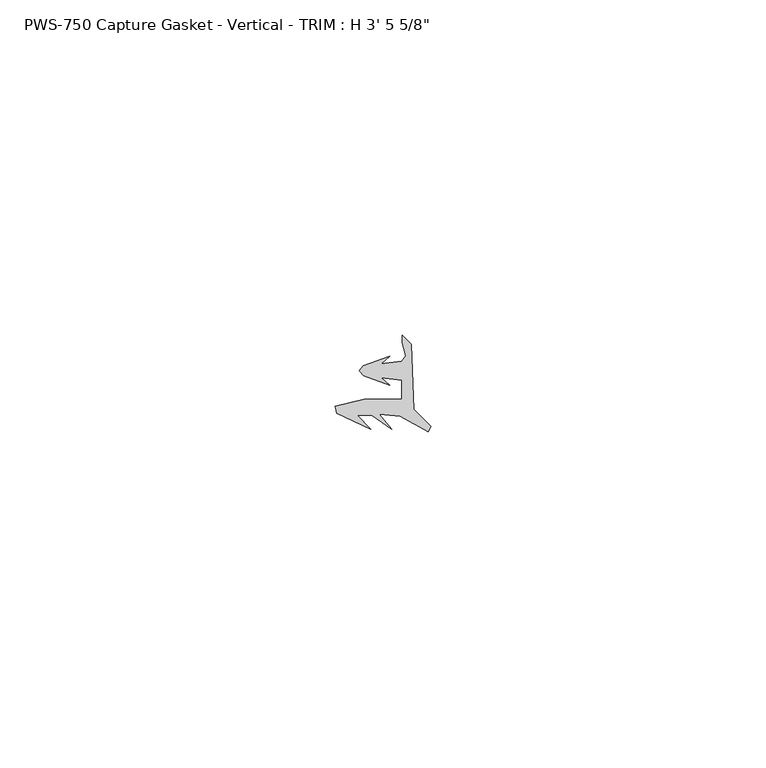
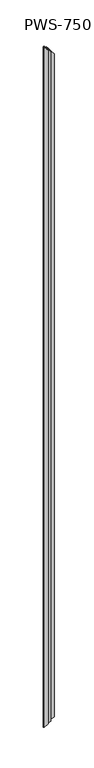
"""IFC4 building model written with IfcOpenShell, lengths in millimetres: proxy geometry."""

from ifc_helpers import new_model, si_unit, origin, place, context, project, spatial, faceted_brep, source, transform, mapped, element, save


def proxy_f485e206(model_context):
    return source(origin(), model_context, "Body", "Brep", [
        faceted_brep([(10.5180104, -3.1126161, 1046.7569896), (10.0363127, -1.1075685, 1047.2386873), (10.0363127, -1.1075685, 10.0363127), (10.5180104, -3.1126161, 10.5180104), (10.0363127, 0.0, 1047.2386873), (10.0363127, 0.0, 10.0363127), (11.3945114, -1.3581987, 1045.8804886), (11.3945114, -1.3581987, 11.3945114), (11.7400908, -11.0876857, 1045.5349092), (11.7400908, -11.0876857, 11.7400908), (14.2921683, -13.6397632, 1042.9828317), (14.2921683, -13.6397632, 14.2921683), (13.9270181, -14.4184849, 1043.3479819), (13.9270181, -14.4184849, 13.9270181), (9.6912611, -12.0846322, 1047.5837389), (9.6912611, -12.0846322, 9.6912611), (6.5862777, -11.7844518, 1050.6887223), (6.5862777, -11.7844518, 6.5862777), (8.4293132, -14.0291241, 1048.8456868), (8.4293132, -14.0291241, 8.4293132), (5.4593479, -11.9730826, 1051.8156521), (5.4593479, -11.9730826, 5.4593479), (3.2925728, -11.9730826, 1053.9824272), (3.2925728, -11.9730826, 3.2925728), (5.3486143, -14.0291241, 1051.9263857), (5.3486143, -14.0291241, 5.3486143), (0.2465562, -11.6592287, 1057.0284438), (0.2465562, -11.6592287, 0.2465562), (0.0, -10.6566114, 0.0), (0.0, -10.6566114, 1057.275), (4.3825047, -9.5788982, 1052.8924953), (4.3825047, -9.5788982, 4.3825047), (9.9694015, -9.5788982, 1047.3055985), (9.9694015, -9.5788982, 9.9694015), (9.9694015, -6.7342387, 1047.3055985), (9.9694015, -6.7342387, 9.9694015), (6.8541528, -6.3641713, 1050.4208472), (6.8541528, -6.3641713, 6.8541528), (8.1534683, -7.4537739, 1049.1215317), (8.1534683, -7.4537739, 8.1534683), (4.2455601, -6.061435, 1053.0294399), (4.2455601, -6.061435, 4.2455601), (3.6194015, -5.3411219, 1053.6555985), (3.6194015, -5.3411219, 3.6194015), (4.2087587, -4.5858484, 1053.0662413), (4.2087587, -4.5858484, 4.2087587), (8.1534683, -3.1803976, 1049.1215317), (8.1534683, -3.1803976, 8.1534683), (6.8541528, -4.2700002, 1050.4208472), (6.8541528, -4.2700002, 6.8541528), (9.9694015, -3.8999328, 1047.3055985), (9.9694015, -3.8999328, 9.9694015)], [[[0, 1, 2, 3]], [[1, 4, 5, 2]], [[4, 6, 7, 5]], [[6, 8, 9, 7]], [[8, 10, 11, 9]], [[10, 12, 13, 11]], [[12, 14, 15, 13]], [[14, 16, 17, 15]], [[16, 18, 19, 17]], [[18, 20, 21, 19]], [[20, 22, 23, 21]], [[22, 24, 25, 23]], [[24, 26, 27, 25]], [[28, 27, 26, 29]], [[29, 30, 31, 28]], [[30, 32, 33, 31]], [[32, 34, 35, 33]], [[34, 36, 37, 35]], [[36, 38, 39, 37]], [[38, 40, 41, 39]], [[40, 42, 43, 41]], [[42, 44, 45, 43]], [[44, 46, 47, 45]], [[46, 48, 49, 47]], [[48, 50, 51, 49]], [[3, 51, 50, 0]], [[2, 5, 7, 9, 11, 13, 15, 17, 19, 21, 23, 25, 27, 28, 31, 33, 35, 37, 39, 41, 43, 45, 47, 49, 51, 3]], [[0, 50, 48, 46, 44, 42, 40, 38, 36, 34, 32, 30, 29, 26, 24, 22, 20, 18, 16, 14, 12, 10, 8, 6, 4, 1]]]),
    ])


if __name__ == "__main__":
    model = new_model("IFC4")
    model_context = context("Model", 3, world=origin())
    ifc_project = project(units=[si_unit("LENGTHUNIT", "METRE", prefix="MILLI")], contexts=[model_context])
    site = spatial("IfcSite", under=ifc_project)
    building = spatial("IfcBuilding", under=site)
    placement = place(None, origin())
    proxy_shape = proxy_f485e206(model_context)
    element("IfcBuildingElementProxy", 1, Name="PWS-750 Capture Gasket - Vertical - TRIM : H 3' 5 5/8\"", ObjectType="PWS-750 Capture Gasket - Vertical - TRIM : H 3' 5 5/8\"", at=placement, inside=building, context=model_context, shape_type="MappedRepresentation", body=[
        mapped(proxy_shape, transform((0.0, 0.0, 0.0), x_axis=(1.0, 0.0, 0.0), y_axis=(0.0, 1.0, 0.0), z_axis=(0.0, 0.0, 1.0))),
    ])
    save(model, "model.ifc")
